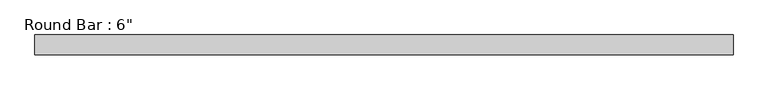
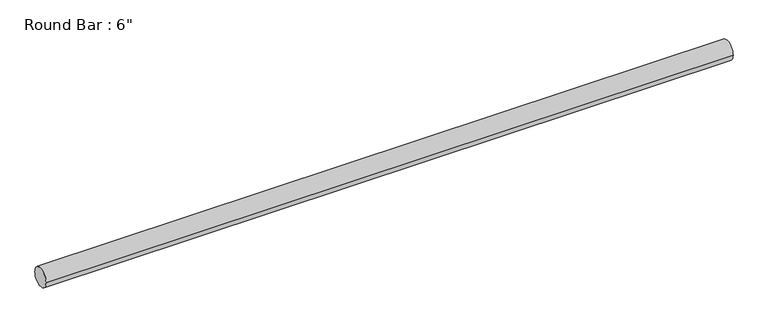
"""IFC4 building model written with IfcOpenShell, lengths in millimetres: beam geometry."""

from ifc_helpers import new_model, si_unit, point, frame, origin, origin_2d, place, context, project, spatial, circle_curve, trimmed, segment, composite_curve, outline, extrude, source, transform, mapped, element, save


def beam_97a6085a(model_context):
    return source(origin(), model_context, "Body", "SweptSolid", [
        extrude(outline(composite_curve([segment(trimmed(circle_curve(origin_2d(), 76.2), [point((76.2, 0.0))], [point((-76.2, 0.0))], False, "CARTESIAN"), True, "CONTINUOUS"), segment(trimmed(circle_curve(origin_2d(), 76.2), [point((-76.2, 0.0))], [point((76.2, 0.0))], False, "CARTESIAN"), True, "CONTINUOUS")], self_intersect=False)), frame((-2701.4165436, 0.0, 0.0), z_axis=(1.0, 0.0, 0.0), x_axis=(0.0, 1.0, 0.0)), (0.0, 0.0, 1.0), 5402.8330872),
    ])


if __name__ == "__main__":
    model = new_model("IFC4")
    model_context = context("Model", 3, world=origin())
    ifc_project = project(units=[si_unit("LENGTHUNIT", "METRE", prefix="MILLI")], contexts=[model_context])
    site = spatial("IfcSite", under=ifc_project)
    building = spatial("IfcBuilding", under=site)
    placement = place(None, origin())
    beam_shape = beam_97a6085a(model_context)
    element("IfcBeam", 1, ObjectType="Round Bar : 6\"", at=placement, inside=building, context=model_context, shape_type="MappedRepresentation", body=[
        mapped(beam_shape, transform((0.0, 0.0, 0.0), x_axis=(1.0, 0.0, 0.0), y_axis=(0.0, 1.0, 0.0), z_axis=(0.0, 0.0, 1.0))),
    ])
    save(model, "model.ifc")
